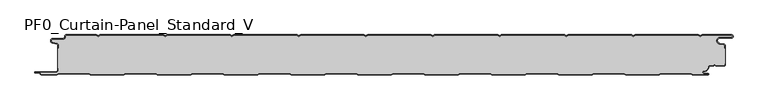
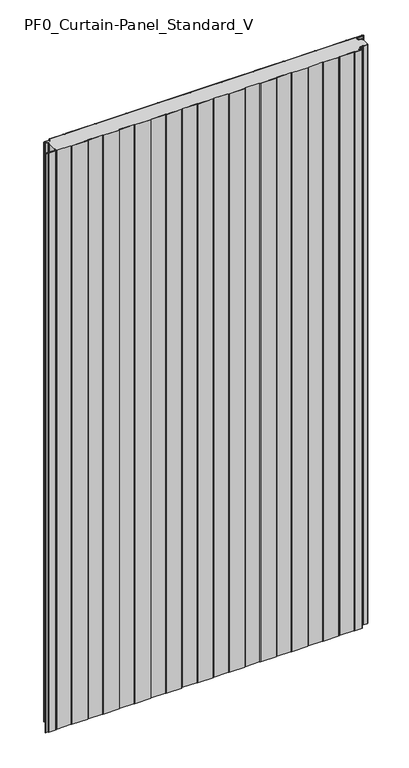
"""IFC4 building model written with IfcOpenShell, lengths in millimetres: plate geometry, PF0_Curtain-Panel_Standard_V."""

from ifc_helpers import new_model, si_unit, point, frame_2d, origin, origin_with_axes, place, context, project, spatial, polyline, circle_curve, trimmed, segment, composite_curve, outline, extrude, source, transform, mapped, element, save


def pf0_curtain_panel_standard_v_675217b7(model_context):
    return source(origin(), model_context, "Body", "SweptSolid", [
        extrude(outline(composite_curve([segment(trimmed(circle_curve(frame_2d((-502.0, -15.878557)), 2.0), [point((-500.0, -15.878557))], [point((-501.5500978, -13.9298169))], True, "CARTESIAN"), True, "CONTINUOUS"), segment(polyline([(-501.5500978, -13.9298169), (-507.7098239, -12.507732)]), True, "CONTINUOUS"), segment(trimmed(circle_curve(frame_2d((-506.9, -9.0)), 3.6), [point((-507.7098239, -12.507732))], [point((-506.9, -5.4))], False, "CARTESIAN"), True, "CONTINUOUS"), segment(polyline([(-506.9, -5.4), (-491.4, -5.4)]), True, "CONTINUOUS"), segment(trimmed(circle_curve(frame_2d((-491.4, -3.4)), 2.0), [point((-491.4, -5.4))], [point((-489.4, -3.4))], True, "CARTESIAN"), True, "CONTINUOUS"), segment(polyline([(-489.4, -3.4), (-489.4, -2.0)]), True, "CONTINUOUS"), segment(trimmed(circle_curve(frame_2d((-487.4, -2.0)), 2.0), [point((-489.4, -2.0))], [point((-487.4, 0.0))], False, "CARTESIAN"), True, "CONTINUOUS"), segment(polyline([(-487.4, 0.0), (-442.0999995, 0.0), (-439.4, -1.5588455), (-436.7000005, 0.0), (-342.0999995, 0.0), (-339.4, -1.5588455), (-336.7000005, 0.0), (-242.0999995, 0.0), (-239.4, -1.5588455), (-236.7000005, 0.0), (-142.0999995, 0.0), (-139.4, -1.5588455), (-136.7000005, 0.0), (-42.0999995, 0.0), (-39.4, -1.5588455), (-36.7000005, 0.0), (57.9000005, 0.0), (60.6, -1.5588455), (63.2999995, 0.0), (157.9000005, 0.0), (160.6, -1.5588455), (163.2999995, 0.0), (257.9000005, 0.0), (260.6, -1.5588455), (263.2999995, 0.0), (357.9000005, 0.0), (360.6, -1.5588455), (363.2999995, 0.0), (457.9000005, 0.0), (460.6, -1.5588455), (463.2999995, 0.0), (507.268846, 0.0)]), True, "CONTINUOUS"), segment(trimmed(circle_curve(frame_2d((507.268846, -2.5)), 2.5), [point((507.268846, 0.0))], [point((507.268846, -5.0))], False, "CARTESIAN"), True, "CONTINUOUS"), segment(polyline([(507.268846, -5.0), (490.268846, -5.0)]), True, "CONTINUOUS"), segment(trimmed(circle_curve(frame_2d((490.268846, -9.0)), 4.0), [point((490.268846, -5.0))], [point((489.574253, -12.939231))], True, "CARTESIAN"), True, "CONTINUOUS"), segment(polyline([(489.574253, -12.939231), (496.0203315, -14.0758491)]), True, "CONTINUOUS"), segment(trimmed(circle_curve(frame_2d((495.568846, -16.6363492)), 2.6), [point((496.0203315, -14.0758491))], [point((498.168846, -16.6363492))], False, "CARTESIAN"), True, "CONTINUOUS"), segment(polyline([(498.168846, -16.6363492), (498.168846, -20.0), (497.368846, -20.0), (497.368846, -16.6363492)]), True, "CONTINUOUS"), segment(trimmed(circle_curve(frame_2d((495.568846, -16.6363492)), 1.8), [point((497.368846, -16.6363492))], [point((495.8814129, -14.8636953))], True, "CARTESIAN"), True, "CONTINUOUS"), segment(polyline([(495.8814129, -14.8636953), (489.4353344, -13.7270772)]), True, "CONTINUOUS"), segment(trimmed(circle_curve(frame_2d((490.268846, -9.0)), 4.8), [point((489.4353344, -13.7270772))], [point((490.268846, -4.2))], False, "CARTESIAN"), True, "CONTINUOUS"), segment(polyline([(490.268846, -4.2), (507.268846, -4.2)]), True, "CONTINUOUS"), segment(trimmed(circle_curve(frame_2d((507.268846, -2.5)), 1.7), [point((507.268846, -4.2))], [point((507.268846, -0.8))], True, "CARTESIAN"), True, "CONTINUOUS"), segment(polyline([(507.268846, -0.8), (463.5143588, -0.8), (460.6, -2.482606), (457.6856412, -0.8), (363.5143588, -0.8), (360.6, -2.482606), (357.6856412, -0.8), (263.5143588, -0.8), (260.6, -2.482606), (257.6856412, -0.8), (163.5143588, -0.8), (160.6, -2.482606), (157.6856412, -0.8), (63.5143588, -0.8), (60.6, -2.482606), (57.6856412, -0.8), (-36.4856412, -0.8), (-39.4, -2.482606), (-42.3143588, -0.8), (-136.4856412, -0.8), (-139.4, -2.482606), (-142.3143588, -0.8), (-236.4856412, -0.8), (-239.4, -2.482606), (-242.3143588, -0.8), (-336.4856412, -0.8), (-339.4, -2.482606), (-342.3143588, -0.8), (-436.4856412, -0.8), (-439.4, -2.482606), (-442.3143588, -0.8), (-487.4, -0.8)]), True, "CONTINUOUS"), segment(trimmed(circle_curve(frame_2d((-487.4, -2.0)), 1.2), [point((-487.4, -0.8))], [point((-488.6, -2.0))], True, "CARTESIAN"), True, "CONTINUOUS"), segment(polyline([(-488.6, -2.0), (-488.6, -3.4)]), True, "CONTINUOUS"), segment(trimmed(circle_curve(frame_2d((-491.4, -3.4)), 2.8), [point((-488.6, -3.4))], [point((-491.4, -6.2))], False, "CARTESIAN"), True, "CONTINUOUS"), segment(polyline([(-491.4, -6.2), (-506.9, -6.2)]), True, "CONTINUOUS"), segment(trimmed(circle_curve(frame_2d((-506.9, -9.0)), 2.8), [point((-506.9, -6.2))], [point((-507.529863, -11.7282362))], True, "CARTESIAN"), True, "CONTINUOUS"), segment(polyline([(-507.529863, -11.7282362), (-501.370137, -13.150321)]), True, "CONTINUOUS"), segment(trimmed(circle_curve(frame_2d((-502.0, -15.878557)), 2.8), [point((-501.370137, -13.150321))], [point((-499.2, -15.878557))], False, "CARTESIAN"), True, "CONTINUOUS"), segment(polyline([(-499.2, -15.878557), (-499.2, -20.0), (-500.0, -20.0), (-500.0, -15.878557)]), True, "CONTINUOUS")], self_intersect=False)), origin_with_axes(), (0.0, 0.0, 1.0), 1945.7507136),
        extrude(outline(composite_curve([segment(polyline([(-499.2, -50.0), (-500.0, -50.0), (-500.0, -20.0), (-499.2, -20.0), (-499.2, -15.878557)]), True, "CONTINUOUS"), segment(trimmed(circle_curve(frame_2d((-502.0, -15.878557)), 2.8), [point((-499.2, -15.878557))], [point((-501.370137, -13.1503208))], True, "CARTESIAN"), True, "CONTINUOUS"), segment(polyline([(-501.370137, -13.1503208), (-507.529863, -11.7282362)]), True, "CONTINUOUS"), segment(trimmed(circle_curve(frame_2d((-506.9, -9.0)), 2.8), [point((-507.529863, -11.7282362))], [point((-506.9, -6.2))], False, "CARTESIAN"), True, "CONTINUOUS"), segment(polyline([(-506.9, -6.2), (-491.4, -6.2)]), True, "CONTINUOUS"), segment(trimmed(circle_curve(frame_2d((-491.4, -3.4)), 2.8), [point((-491.4, -6.2))], [point((-488.6, -3.4))], True, "CARTESIAN"), True, "CONTINUOUS"), segment(polyline([(-488.6, -3.4), (-488.6, -2.0)]), True, "CONTINUOUS"), segment(trimmed(circle_curve(frame_2d((-487.4, -2.0)), 1.2), [point((-488.6, -2.0))], [point((-487.4, -0.8))], False, "CARTESIAN"), True, "CONTINUOUS"), segment(polyline([(-487.4, -0.8), (-442.3143588, -0.8), (-439.4, -2.482606), (-436.4856412, -0.8), (-342.3143588, -0.8), (-339.4, -2.482606), (-336.4856412, -0.8), (-242.3143588, -0.8), (-239.4, -2.482606), (-236.4856412, -0.8), (-142.3143588, -0.8), (-139.4, -2.482606), (-136.4856412, -0.8), (-42.3143588, -0.8), (-39.4, -2.482606), (-36.4856412, -0.8), (57.6856412, -0.8), (60.6, -2.482606), (63.5143588, -0.8), (157.6856412, -0.8), (160.6, -2.482606), (163.5143588, -0.8), (257.6856412, -0.8), (260.6, -2.482606), (263.5143588, -0.8), (357.6856412, -0.8), (360.6, -2.482606), (363.5143588, -0.8), (457.6856412, -0.8), (460.6, -2.482606), (463.5143588, -0.8), (507.268846, -0.8)]), True, "CONTINUOUS"), segment(trimmed(circle_curve(frame_2d((507.268846, -2.5)), 1.7), [point((507.268846, -0.8))], [point((507.268846, -4.2))], False, "CARTESIAN"), True, "CONTINUOUS"), segment(polyline([(507.268846, -4.2), (490.268846, -4.2)]), True, "CONTINUOUS"), segment(trimmed(circle_curve(frame_2d((490.268846, -9.0)), 4.8), [point((490.268846, -4.2))], [point((489.4353344, -13.7270772))], True, "CARTESIAN"), True, "CONTINUOUS"), segment(polyline([(489.4353344, -13.7270772), (495.8814129, -14.8636953)]), True, "CONTINUOUS"), segment(trimmed(circle_curve(frame_2d((495.568846, -16.6363492)), 1.8), [point((495.8814129, -14.8636953))], [point((497.368846, -16.6363492))], False, "CARTESIAN"), True, "CONTINUOUS"), segment(polyline([(497.368846, -16.6363492), (497.368846, -20.0), (498.168846, -20.0), (498.168846, -43.0), (497.368846, -43.0), (497.368846, -44.4)]), True, "CONTINUOUS"), segment(trimmed(circle_curve(frame_2d((495.568846, -44.4)), 1.8), [point((497.368846, -44.4))], [point((495.568846, -46.2))], False, "CARTESIAN"), True, "CONTINUOUS"), segment(polyline([(495.568846, -46.2), (484.0002158, -46.2), (482.168846, -44.3686285), (480.3374762, -46.2), (474.168846, -46.2)]), True, "CONTINUOUS"), segment(trimmed(circle_curve(frame_2d((474.168846, -48.0)), 1.8), [point((474.168846, -46.2))], [point((472.368846, -48.0))], True, "CARTESIAN"), True, "CONTINUOUS"), segment(polyline([(472.368846, -48.0), (472.368846, -48.8276204)]), True, "CONTINUOUS"), segment(trimmed(circle_curve(frame_2d((466.9964664, -48.8276204)), 5.3723796), [point((472.368846, -48.8276204))], [point((466.9964664, -54.2))], False, "CARTESIAN"), True, "CONTINUOUS"), segment(polyline([(466.9964664, -54.2), (466.168846, -54.2)]), True, "CONTINUOUS"), segment(trimmed(circle_curve(frame_2d((466.168846, -56.4)), 2.2), [point((466.168846, -54.2))], [point((466.168846, -58.6))], True, "CARTESIAN"), True, "CONTINUOUS"), segment(polyline([(466.168846, -58.6), (472.0579973, -58.6)]), True, "CONTINUOUS"), segment(trimmed(circle_curve(frame_2d((472.0579973, -58.9)), 0.3), [point((472.0579973, -58.6))], [point((472.0579973, -59.2))], False, "CARTESIAN"), True, "CONTINUOUS"), segment(polyline([(472.0579973, -59.2), (449.2152562, -59.2), (446.6171786, -57.7), (401.3884624, -57.7), (398.7903848, -59.2), (349.2152562, -59.2), (346.6171786, -57.7), (301.3884624, -57.7), (298.7903848, -59.2), (249.2152562, -59.2), (246.6171786, -57.7), (201.3884624, -57.7), (198.7903848, -59.2), (149.2152562, -59.2), (146.6171786, -57.7), (101.3884624, -57.7), (98.7903848, -59.2), (49.2152562, -59.2), (46.6171786, -57.7), (1.3884624, -57.7), (-1.2096152, -59.2), (-50.7847438, -59.2), (-53.3828214, -57.7), (-98.6115376, -57.7), (-101.2096152, -59.2), (-150.7847438, -59.2), (-153.3828214, -57.7), (-198.6115376, -57.7), (-201.2096152, -59.2), (-250.7847438, -59.2), (-253.3828214, -57.7), (-298.6115376, -57.7), (-301.2096152, -59.2), (-350.7847438, -59.2), (-353.3828214, -57.7), (-398.6115376, -57.7), (-401.2096152, -59.2), (-450.7847438, -59.2), (-453.3828214, -57.7), (-498.6115376, -57.7), (-501.2096152, -59.2), (-524.4, -59.2)]), True, "CONTINUOUS"), segment(trimmed(circle_curve(frame_2d((-524.4, -58.4)), 0.8), [point((-524.4, -59.2))], [point((-525.2, -58.4))], False, "CARTESIAN"), True, "CONTINUOUS"), segment(trimmed(circle_curve(frame_2d((-526.9, -58.6133333)), 1.7133333), [point((-525.2, -58.4))], [point((-526.9, -56.9))], True, "CARTESIAN"), True, "CONTINUOUS"), segment(polyline([(-526.9, -56.9), (-532.8700312, -56.9)]), True, "CONTINUOUS"), segment(trimmed(circle_curve(frame_2d((-532.8700312, -56.6)), 0.3), [point((-532.8700312, -56.9))], [point((-532.8700312, -56.3))], False, "CARTESIAN"), True, "CONTINUOUS"), segment(polyline([(-532.8700312, -56.3), (-502.0, -56.3)]), True, "CONTINUOUS"), segment(trimmed(circle_curve(frame_2d((-502.0, -53.5)), 2.8), [point((-502.0, -56.3))], [point((-499.2, -53.5))], True, "CARTESIAN"), True, "CONTINUOUS"), segment(polyline([(-499.2, -53.5), (-499.2, -50.0)]), True, "CONTINUOUS")], self_intersect=False)), origin_with_axes(), (0.0, 0.0, 1.0), 1945.7507136),
        extrude(outline(composite_curve([segment(polyline([(-500.0, -50.0), (-499.2, -50.0), (-499.2, -53.5)]), True, "CONTINUOUS"), segment(trimmed(circle_curve(frame_2d((-502.0, -53.5)), 2.8), [point((-499.2, -53.5))], [point((-502.0, -56.3))], False, "CARTESIAN"), True, "CONTINUOUS"), segment(polyline([(-502.0, -56.3), (-532.8700312, -56.3)]), True, "CONTINUOUS"), segment(trimmed(circle_curve(frame_2d((-532.8700312, -56.6)), 0.3), [point((-532.8700312, -56.3))], [point((-532.8700312, -56.9))], True, "CARTESIAN"), True, "CONTINUOUS"), segment(polyline([(-532.8700312, -56.9), (-526.9, -56.9)]), True, "CONTINUOUS"), segment(trimmed(circle_curve(frame_2d((-526.9, -58.6133333)), 1.7133333), [point((-526.9, -56.9))], [point((-525.2, -58.4))], False, "CARTESIAN"), True, "CONTINUOUS"), segment(trimmed(circle_curve(frame_2d((-524.4, -58.4)), 0.8), [point((-525.2, -58.4))], [point((-524.4, -59.2))], True, "CARTESIAN"), True, "CONTINUOUS"), segment(polyline([(-524.4, -59.2), (-501.2096152, -59.2), (-498.6115376, -57.7), (-453.3828214, -57.7), (-450.7847438, -59.2), (-401.2096152, -59.2), (-398.6115376, -57.7), (-353.3828214, -57.7), (-350.7847438, -59.2), (-301.2096152, -59.2), (-298.6115376, -57.7), (-253.3828214, -57.7), (-250.7847438, -59.2), (-201.2096152, -59.2), (-198.6115376, -57.7), (-153.3828214, -57.7), (-150.7847438, -59.2), (-101.2096152, -59.2), (-98.6115376, -57.7), (-53.3828214, -57.7), (-50.7847438, -59.2), (-1.2096152, -59.2), (1.3884624, -57.7), (46.6171786, -57.7), (49.2152562, -59.2), (98.7903848, -59.2), (101.3884624, -57.7), (146.6171786, -57.7), (149.2152562, -59.2), (198.7903848, -59.2), (201.3884624, -57.7), (246.6171786, -57.7), (249.2152562, -59.2), (298.7903848, -59.2), (301.3884624, -57.7), (346.6171786, -57.7), (349.2152562, -59.2), (398.7903848, -59.2), (401.3884624, -57.7), (446.6171786, -57.7), (449.2152562, -59.2), (472.0579973, -59.2)]), True, "CONTINUOUS"), segment(trimmed(circle_curve(frame_2d((472.0579973, -58.9)), 0.3), [point((472.0579973, -59.2))], [point((472.0579973, -58.6))], True, "CARTESIAN"), True, "CONTINUOUS"), segment(polyline([(472.0579973, -58.6), (466.168846, -58.6)]), True, "CONTINUOUS"), segment(trimmed(circle_curve(frame_2d((466.168846, -56.4)), 2.2), [point((466.168846, -58.6))], [point((466.168846, -54.2))], False, "CARTESIAN"), True, "CONTINUOUS"), segment(polyline([(466.168846, -54.2), (466.9964664, -54.2)]), True, "CONTINUOUS"), segment(trimmed(circle_curve(frame_2d((466.9964664, -48.8276204)), 5.3723796), [point((466.9964664, -54.2))], [point((472.368846, -48.8276204))], True, "CARTESIAN"), True, "CONTINUOUS"), segment(polyline([(472.368846, -48.8276204), (472.368846, -48.0)]), True, "CONTINUOUS"), segment(trimmed(circle_curve(frame_2d((474.168846, -48.0)), 1.8), [point((472.368846, -48.0))], [point((474.168846, -46.2))], False, "CARTESIAN"), True, "CONTINUOUS"), segment(polyline([(474.168846, -46.2), (480.3374762, -46.2), (482.168846, -44.3686285), (484.0002158, -46.2), (495.568846, -46.2)]), True, "CONTINUOUS"), segment(trimmed(circle_curve(frame_2d((495.568846, -44.4)), 1.8), [point((495.568846, -46.2))], [point((497.368846, -44.4))], True, "CARTESIAN"), True, "CONTINUOUS"), segment(polyline([(497.368846, -44.4), (497.368846, -43.0), (498.168846, -43.0), (498.168846, -44.4)]), True, "CONTINUOUS"), segment(trimmed(circle_curve(frame_2d((495.568846, -44.4)), 2.6), [point((498.168846, -44.4))], [point((495.568846, -47.0))], False, "CARTESIAN"), True, "CONTINUOUS"), segment(polyline([(495.568846, -47.0), (483.6688448, -47.0), (482.168846, -45.4999999), (480.6688472, -47.0), (474.168846, -47.0)]), True, "CONTINUOUS"), segment(trimmed(circle_curve(frame_2d((474.168846, -48.0)), 1.0), [point((474.168846, -47.0))], [point((473.168846, -48.0))], True, "CARTESIAN"), True, "CONTINUOUS"), segment(polyline([(473.168846, -48.0), (473.168846, -48.8276204)]), True, "CONTINUOUS"), segment(trimmed(circle_curve(frame_2d((466.9964664, -48.8276204)), 6.1723796), [point((473.168846, -48.8276204))], [point((466.9964664, -55.0))], False, "CARTESIAN"), True, "CONTINUOUS"), segment(polyline([(466.9964664, -55.0), (466.168846, -55.0)]), True, "CONTINUOUS"), segment(trimmed(circle_curve(frame_2d((466.168846, -56.5)), 1.5), [point((466.168846, -55.0))], [point((466.168846, -58.0))], True, "CARTESIAN"), True, "CONTINUOUS"), segment(polyline([(466.168846, -58.0), (472.168846, -58.0)]), True, "CONTINUOUS"), segment(trimmed(circle_curve(frame_2d((472.168846, -59.0)), 1.0), [point((472.168846, -58.0))], [point((472.168846, -60.0))], False, "CARTESIAN"), True, "CONTINUOUS"), segment(polyline([(472.168846, -60.0), (449.0008969, -60.0), (446.4028193, -58.5), (401.6028217, -58.5), (399.0047441, -60.0), (349.0008969, -60.0), (346.4028193, -58.5), (301.6028217, -58.5), (299.0047441, -60.0), (249.0008969, -60.0), (246.4028193, -58.5), (201.6028217, -58.5), (199.0047441, -60.0), (149.0008969, -60.0), (146.4028193, -58.5), (101.6028217, -58.5), (99.0047441, -60.0), (49.0008969, -60.0), (46.4028193, -58.5), (1.6028217, -58.5), (-0.9952559, -60.0), (-50.9991031, -60.0), (-53.5971807, -58.5), (-98.3971783, -58.5), (-100.9952559, -60.0), (-150.9991031, -60.0), (-153.5971807, -58.5), (-198.3971783, -58.5), (-200.9952559, -60.0), (-250.9991031, -60.0), (-253.5971807, -58.5), (-298.3971783, -58.5), (-300.9952559, -60.0), (-350.9991031, -60.0), (-353.5971807, -58.5), (-398.3971783, -58.5), (-400.9952559, -60.0), (-450.9991031, -60.0), (-453.5971807, -58.5), (-498.3971783, -58.5), (-500.9952559, -60.0), (-524.4, -60.0)]), True, "CONTINUOUS"), segment(trimmed(circle_curve(frame_2d((-524.4, -58.4)), 1.6), [point((-524.4, -60.0))], [point((-526.0, -58.4))], False, "CARTESIAN"), True, "CONTINUOUS"), segment(trimmed(circle_curve(frame_2d((-526.9, -58.4)), 0.9), [point((-526.0, -58.4))], [point((-526.9, -57.5))], True, "CARTESIAN"), True, "CONTINUOUS"), segment(polyline([(-526.9, -57.5), (-533.0, -57.5)]), True, "CONTINUOUS"), segment(trimmed(circle_curve(frame_2d((-533.0, -56.5)), 1.0), [point((-533.0, -57.5))], [point((-533.0, -55.5))], False, "CARTESIAN"), True, "CONTINUOUS"), segment(polyline([(-533.0, -55.5), (-502.0, -55.5)]), True, "CONTINUOUS"), segment(trimmed(circle_curve(frame_2d((-502.0, -53.5)), 2.0), [point((-502.0, -55.5))], [point((-500.0, -53.5))], True, "CARTESIAN"), True, "CONTINUOUS"), segment(polyline([(-500.0, -53.5), (-500.0, -50.0)]), True, "CONTINUOUS")], self_intersect=False)), origin_with_axes(), (0.0, 0.0, 1.0), 1945.7507136),
    ])


if __name__ == "__main__":
    model = new_model("IFC4")
    model_context = context("Model", 3, world=origin())
    ifc_project = project(units=[si_unit("LENGTHUNIT", "METRE", prefix="MILLI")], contexts=[model_context])
    site = spatial("IfcSite", under=ifc_project)
    building = spatial("IfcBuilding", under=site)
    placement = place(None, origin())
    pf0_curtain_panel_standard_v_shape = pf0_curtain_panel_standard_v_675217b7(model_context)
    element("IfcPlate", 1, ObjectType="PF0_Curtain-Panel_Standard_V", at=placement, inside=building, context=model_context, shape_type="MappedRepresentation", body=[
        mapped(pf0_curtain_panel_standard_v_shape, transform((0.0, 0.0, 0.0), x_axis=(1.0, 0.0, 0.0), y_axis=(0.0, 1.0, 0.0), z_axis=(0.0, 0.0, 1.0))),
    ])
    save(model, "model.ifc")
